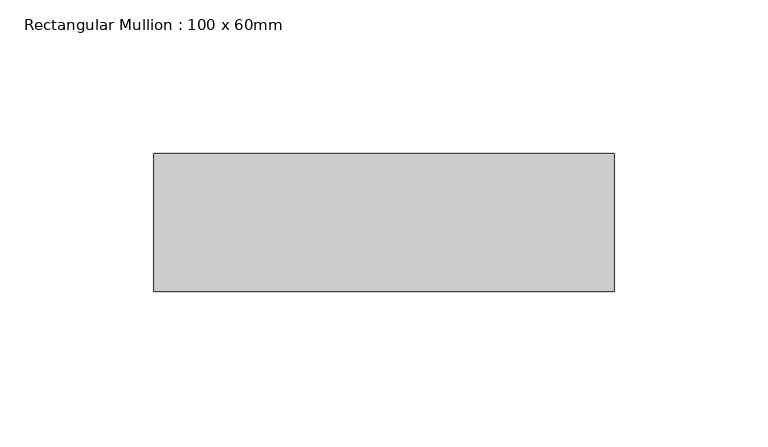
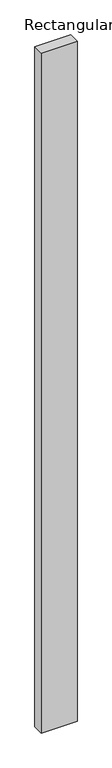
"""IFC4 building model written with IfcOpenShell, lengths in millimetres: member geometry, Rectangular Mullion : 100 x 60mm."""

from ifc_helpers import new_model, si_unit, frame, origin, place, context, project, spatial, polyline, outline, extrude, source, transform, mapped, element, save


def rectangular_mullion_100_x_60mm_3348bbfb(model_context):
    return source(origin(), model_context, "Body", "SweptSolid", [
        extrude(outline(polyline([(-75.0, -30.0), (-75.0, 15.0), (75.0, 15.0), (75.0, -30.0), (-75.0, -30.0)])), frame((0.0, 0.0, -3000.0), z_axis=(0.0, 0.0, 1.0), x_axis=(1.0, 0.0, 0.0)), (0.0, 0.0, 1.0), 3000.0),
    ])


if __name__ == "__main__":
    model = new_model("IFC4")
    model_context = context("Model", 3, world=origin())
    ifc_project = project(units=[si_unit("LENGTHUNIT", "METRE", prefix="MILLI")], contexts=[model_context])
    site = spatial("IfcSite", under=ifc_project)
    building = spatial("IfcBuilding", under=site)
    placement = place(None, origin())
    rectangular_mullion_100_x_60mm_shape = rectangular_mullion_100_x_60mm_3348bbfb(model_context)
    element("IfcMember", 1, ObjectType="Rectangular Mullion : 100 x 60mm", at=placement, inside=building, context=model_context, shape_type="MappedRepresentation", body=[
        mapped(rectangular_mullion_100_x_60mm_shape, transform((0.0, 0.0, 0.0), x_axis=(1.0, 0.0, 0.0), y_axis=(0.0, 1.0, 0.0), z_axis=(0.0, 0.0, 1.0))),
    ])
    save(model, "model.ifc")
